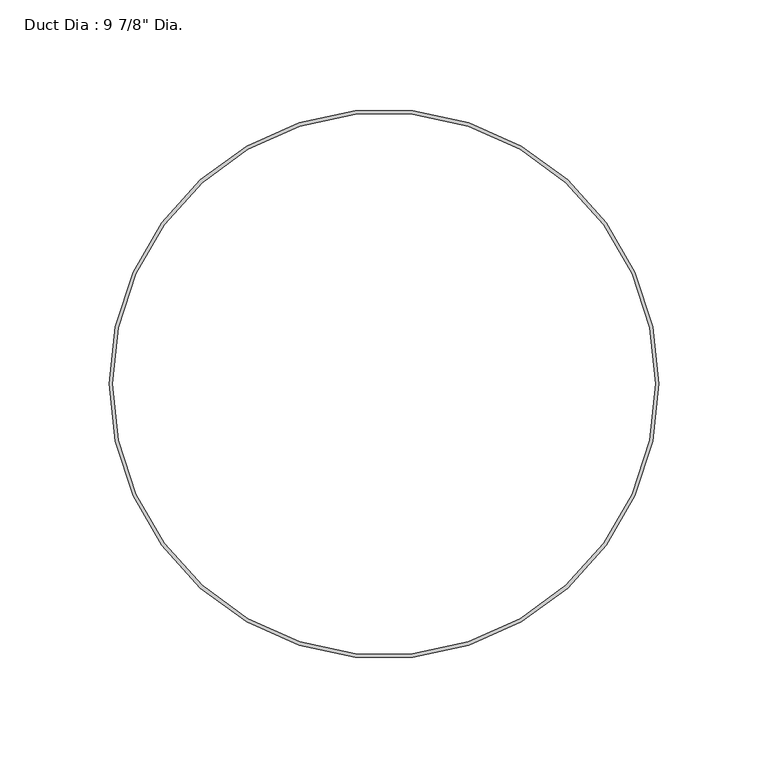
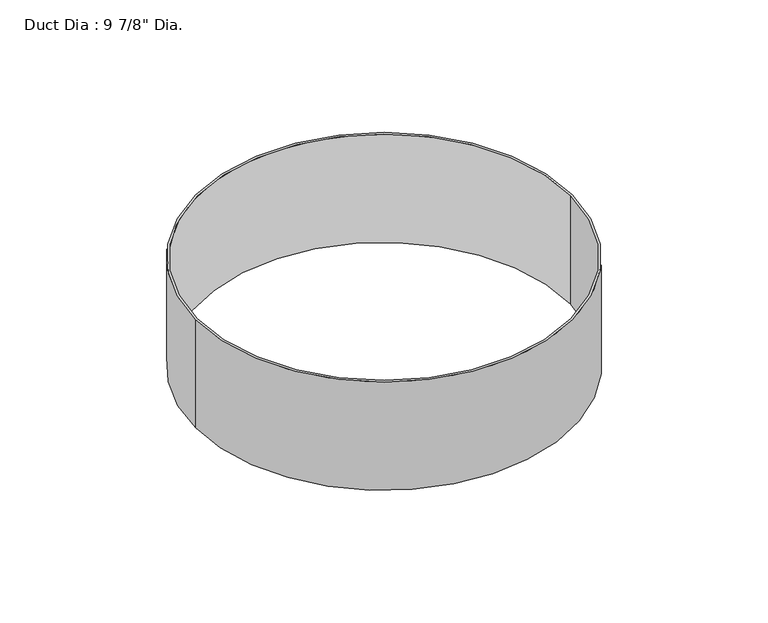
"""IFC4 building model written with IfcOpenShell, lengths in millimetres: proxy geometry."""

import ifcopenshell
import ifcopenshell.guid

model = None  # the IFC model being written
_history = None  # IfcOwnerHistory: only IFC2X3 demands one
_inside = {}  # id of a spatial element -> (the spatial element, [elements in it])
_under = {}  # id of a project, library or spatial element -> (it, [spatial elements below it])
_declared = {}  # id of a project -> (the project, [libraries it declares])
_typed = {}  # id of a type object -> (the type object, [elements of that type])
_made_of = {}  # id of a material, layer set ... -> (it, [elements and type objects made of it])


def new_model(schema):
    """Start an empty IFC model of exactly this schema.

    Asked for "IFC4X3", IfcOpenShell would pick the latest addendum, in which some entities
    have other attributes; the version numbers below select the first issue.
    IFC2X3 requires an IfcOwnerHistory on every rooted entity: one is made here for all.
    """
    global model, _history
    if schema == "IFC4X3":
        model = ifcopenshell.file(schema_version=(4, 3, 0, 0))
    else:
        model = ifcopenshell.file(schema=schema)
    _inside.clear()
    _under.clear()
    _declared.clear()
    _typed.clear()
    _made_of.clear()
    _history = None
    if model.schema == "IFC2X3":
        org = make("IfcOrganization", Name="unknown")
        user = make(
            "IfcPersonAndOrganization",
            ThePerson=make("IfcPerson", FamilyName="unknown"),
            TheOrganization=org,
        )
        app = make(
            "IfcApplication",
            ApplicationDeveloper=org,
            Version="unknown",
            ApplicationFullName="unknown",
            ApplicationIdentifier="unknown",
        )
        _history = make(
            "IfcOwnerHistory",
            OwningUser=user,
            OwningApplication=app,
            ChangeAction="ADDED",
            CreationDate=0,
        )
    return model


def make(cls, **values):
    """One entity of the class cls with the attributes given. An attribute that is None is left unset."""
    return model.create_entity(
        cls, **{name: value for name, value in values.items() if value is not None}
    )


def rooted(cls, **values):
    """An entity with a GlobalId (a new one), such as an element, a storey or a relation."""
    return make(cls, GlobalId=ifcopenshell.guid.new(), OwnerHistory=_history, **values)


def si_unit(unit_type, name, prefix=None):
    """IfcSIUnit, for example si_unit("LENGTHUNIT", "METRE", prefix="MILLI")."""
    return make("IfcSIUnit", UnitType=unit_type, Prefix=prefix, Name=name)


def assignment(units):
    """IfcUnitAssignment: the units of a project."""
    return None if units is None else make("IfcUnitAssignment", Units=units)


def point(xyz):
    """IfcCartesianPoint."""
    return None if xyz is None else make("IfcCartesianPoint", Coordinates=xyz)


def direction(xyz):
    """IfcDirection."""
    return None if xyz is None else make("IfcDirection", DirectionRatios=xyz)


def frame(location, z_axis=None, x_axis=None):
    """IfcAxis2Placement3D, a coordinate frame: its origin and axes. An axis left out is left unset."""
    return make(
        "IfcAxis2Placement3D",
        Location=point(location),
        Axis=direction(z_axis),
        RefDirection=direction(x_axis),
    )


def frame_2d(location, x_axis=None):
    """IfcAxis2Placement2D, a coordinate frame in the plane: its origin and x axis."""
    return make(
        "IfcAxis2Placement2D", Location=point(location), RefDirection=direction(x_axis)
    )


def origin():
    """The frame at (0, 0, 0) with its axes left unset."""
    return frame((0.0, 0.0, 0.0))


def origin_with_axes():
    """The frame at (0, 0, 0) with the z axis (0, 0, 1) and the x axis (1, 0, 0) written out."""
    return frame((0.0, 0.0, 0.0), z_axis=(0.0, 0.0, 1.0), x_axis=(1.0, 0.0, 0.0))


def origin_2d():
    """The frame at (0, 0) in the plane with its x axis left unset."""
    return frame_2d((0.0, 0.0))


def place(relative_to, where):
    """IfcLocalPlacement: puts the frame where relative to a parent placement (None: the world)."""
    return make(
        "IfcLocalPlacement", PlacementRelTo=relative_to, RelativePlacement=where
    )


def context(
    kind, dimensions, precision=None, world=None, true_north=None, identifier=None
):
    """IfcGeometricRepresentationContext, for example the 3D "Model" context."""
    return make(
        "IfcGeometricRepresentationContext",
        ContextIdentifier=identifier,
        ContextType=kind,
        CoordinateSpaceDimension=dimensions,
        Precision=precision,
        WorldCoordinateSystem=world,
        TrueNorth=true_north,
    )


def project(units=None, contexts=None):
    """IfcProject with its units and contexts."""
    return rooted(
        "IfcProject",
        Name="project",
        RepresentationContexts=contexts,
        UnitsInContext=assignment(units),
    )


def spatial(cls, under=None, at=None, **own):
    """A site, building, storey or space (cls), placed at a placement, below another one or the project."""
    s = rooted(cls, ObjectPlacement=at, **own)
    if under is not None:
        _under.setdefault(under.id(), (under, []))[1].append(s)
    return s


def circle_curve(where, radius):
    """IfcCircle in the frame where."""
    return make("IfcCircle", Position=where, Radius=radius)


def trimmed(basis, trim1, trim2, sense, master):
    """IfcTrimmedCurve: the piece of a basis curve between two trims."""
    return make(
        "IfcTrimmedCurve",
        BasisCurve=basis,
        Trim1=trim1,
        Trim2=trim2,
        SenseAgreement=sense,
        MasterRepresentation=master,
    )


def segment(curve, same_sense, transition):
    """IfcCompositeCurveSegment."""
    return make(
        "IfcCompositeCurveSegment",
        Transition=transition,
        SameSense=same_sense,
        ParentCurve=curve,
    )


def composite_curve(segments, self_intersect=None):
    """IfcCompositeCurve: segments joined end to end."""
    return make("IfcCompositeCurve", Segments=segments, SelfIntersect=self_intersect)


def outline(outer, holes=None, kind="AREA"):
    """IfcArbitraryClosedProfileDef: a profile drawn as a closed curve; with holes, ...WithVoids."""
    if holes is None:
        return make("IfcArbitraryClosedProfileDef", ProfileType=kind, OuterCurve=outer)
    return make(
        "IfcArbitraryProfileDefWithVoids",
        ProfileType=kind,
        OuterCurve=outer,
        InnerCurves=holes,
    )


def extrude(swept, where, along, depth):
    """IfcExtrudedAreaSolid: the profile swept, set in the frame where, extruded along a direction by depth."""
    return make(
        "IfcExtrudedAreaSolid",
        SweptArea=swept,
        Position=where,
        ExtrudedDirection=direction(along),
        Depth=depth,
    )


def shape(context_of_items, identifier, shape_type, items):
    """IfcShapeRepresentation: the items that make up one representation, for example the "Body"."""
    return make(
        "IfcShapeRepresentation",
        ContextOfItems=context_of_items,
        RepresentationIdentifier=identifier,
        RepresentationType=shape_type,
        Items=items,
    )


def source(mapping_origin, context_of_items, identifier, shape_type, items):
    """IfcRepresentationMap: a shape defined once, which mapped items show again and again."""
    return make(
        "IfcRepresentationMap",
        MappingOrigin=mapping_origin,
        MappedRepresentation=shape(context_of_items, identifier, shape_type, items),
    )


def transform(
    local_origin,
    x_axis=None,
    y_axis=None,
    z_axis=None,
    scale=None,
    scale2=None,
    scale3=None,
    uniform=True,
):
    """IfcCartesianTransformationOperator3D, or its non-uniform kind. x_axis, y_axis, z_axis: its Axis1, 2, 3."""
    if uniform:
        return make(
            "IfcCartesianTransformationOperator3D",
            Axis1=direction(x_axis),
            Axis2=direction(y_axis),
            LocalOrigin=point(local_origin),
            Scale=scale,
            Axis3=direction(z_axis),
        )
    return make(
        "IfcCartesianTransformationOperator3DnonUniform",
        Axis1=direction(x_axis),
        Axis2=direction(y_axis),
        LocalOrigin=point(local_origin),
        Scale=scale,
        Axis3=direction(z_axis),
        Scale2=scale2,
        Scale3=scale3,
    )


def mapped(mapping_source, mapping_target):
    """IfcMappedItem: shows the shape of a source again, moved by a transform."""
    return make(
        "IfcMappedItem", MappingSource=mapping_source, MappingTarget=mapping_target
    )


def made_of(thing, what):
    """Note that an element or type object is made of a material, layer set ...; save() writes the relation."""
    if what is not None:
        _made_of.setdefault(what.id(), (what, []))[1].append(thing)
    return thing


def element(
    cls,
    number,
    at=None,
    inside=None,
    cuts=None,
    type_object=None,
    material=None,
    context=None,
    identifier="Body",
    shape_type=None,
    held_by="IfcProductDefinitionShape",
    body=None,
    shapes=None,
    **own,
):
    """One element of the class cls, such as IfcWall. Its Tag is "e" and its number.

    at: its placement. inside: the storey or other place that contains it. cuts: it is an
    opening in that element (IfcRelVoidsElement). A single representation is given by context,
    identifier, shape_type and body (its items); several are given by shapes. held_by: the class
    of the entity that holds the representations. save() writes the other relations.
    """
    e = rooted(cls, Tag="e%d" % number, ObjectPlacement=at, **own)
    if body is not None:
        shapes = [shape(context, identifier, shape_type, body)]
    if shapes is not None:
        e.Representation = make(held_by, Representations=shapes)
    if inside is not None:
        _inside.setdefault(inside.id(), (inside, []))[1].append(e)
    if cuts is not None:
        rooted(
            "IfcRelVoidsElement", RelatingBuildingElement=cuts, RelatedOpeningElement=e
        )
    if type_object is not None:
        _typed.setdefault(type_object.id(), (type_object, []))[1].append(e)
    return made_of(e, material)


def aggregate(whole, parts):
    """IfcRelAggregates: a whole, such as a stair, and the parts it consists of."""
    return rooted("IfcRelAggregates", RelatingObject=whole, RelatedObjects=parts)


def save(model, path):
    """Write the relations noted so far, then the file.

    IfcRelAggregates (storeys below a building ...), IfcRelContainedInSpatialStructure (elements
    in a storey), IfcRelDefinesByType, IfcRelAssociatesMaterial and IfcRelDeclares: one each for
    every whole, place, type object, material and project.
    """
    for whole, parts in _under.values():
        aggregate(whole, parts)
    for where, things in _inside.values():
        rooted(
            "IfcRelContainedInSpatialStructure",
            RelatedElements=things,
            RelatingStructure=where,
        )
    for kind, things in _typed.values():
        rooted("IfcRelDefinesByType", RelatedObjects=things, RelatingType=kind)
    for what, things in _made_of.values():
        rooted("IfcRelAssociatesMaterial", RelatedObjects=things, RelatingMaterial=what)
    for by, libraries in _declared.values():
        rooted("IfcRelDeclares", RelatingContext=by, RelatedDefinitions=libraries)
    model.write(path)


def proxy_df895454(model_context):
    return source(origin(), model_context, "Body", "SweptSolid", [
        extrude(outline(composite_curve([segment(trimmed(circle_curve(origin_2d(), 125.4125), [point((-125.4125, 0.0))], [point((125.4125, 0.0))], False, "CARTESIAN"), True, "CONTINUOUS"), segment(trimmed(circle_curve(origin_2d(), 125.4125), [point((125.4125, 0.0))], [point((-125.4125, 0.0))], False, "CARTESIAN"), True, "CONTINUOUS")], self_intersect=False), holes=[composite_curve([segment(trimmed(circle_curve(origin_2d(), 123.825), [point((-123.825, 0.0))], [point((123.825, 0.0))], True, "CARTESIAN"), True, "CONTINUOUS"), segment(trimmed(circle_curve(origin_2d(), 123.825), [point((123.825, 0.0))], [point((-123.825, 0.0))], True, "CARTESIAN"), True, "CONTINUOUS")], self_intersect=False)]), origin_with_axes(), (0.0, 0.0, 1.0), 76.2),
    ])


if __name__ == "__main__":
    model = new_model("IFC4")
    model_context = context("Model", 3, world=origin())
    ifc_project = project(units=[si_unit("LENGTHUNIT", "METRE", prefix="MILLI")], contexts=[model_context])
    site = spatial("IfcSite", under=ifc_project)
    building = spatial("IfcBuilding", under=site)
    placement = place(None, origin())
    proxy_shape = proxy_df895454(model_context)
    element("IfcBuildingElementProxy", 1, Name="Duct Dia : 9 7/8\" Dia.", ObjectType="Duct Dia : 9 7/8\" Dia.", at=placement, inside=building, context=model_context, shape_type="MappedRepresentation", body=[
        mapped(proxy_shape, transform((0.0, 0.0, 0.0), x_axis=(1.0, 0.0, 0.0), y_axis=(0.0, 1.0, 0.0), z_axis=(0.0, 0.0, 1.0))),
    ])
    save(model, "model.ifc")
